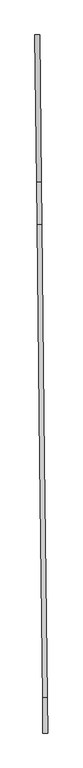
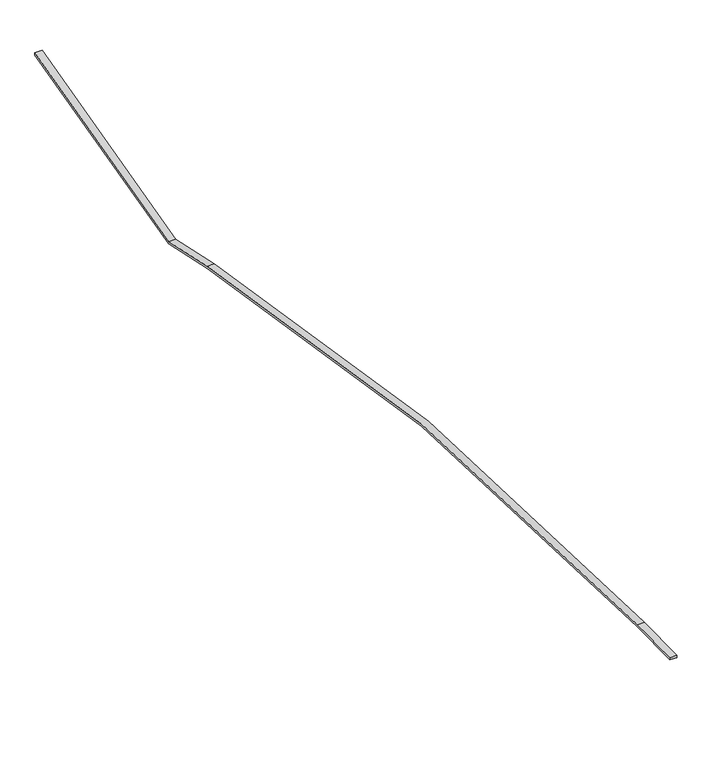
"""IFC4 building model written with IfcOpenShell, lengths in millimetres: proxy geometry."""

from ifc_helpers import new_model, si_unit, point, frame, frame_2d, origin, place, context, project, spatial, polyline, circle_curve, trimmed, segment, composite_curve, outline, extrude, source, transform, mapped, element, save


def generic_models_a72d9bab(model_context):
    return source(origin(), model_context, "Body", "SweptSolid", [
        extrude(outline(composite_curve([segment(polyline([(5066.3149055, 0.0), (6359.902556, -660.9210022)]), True, "CONTINUOUS"), segment(trimmed(circle_curve(frame_2d((36652.6606372, 58629.5806249)), 66580.8889649), [point((6359.902556, -660.9210022))], [point((21154.6217718, -6122.4507462))], True, "CARTESIAN"), True, "CONTINUOUS"), segment(polyline([(21154.6217718, -6122.4507462), (22306.2219021, -6398.0798376), (22292.8827766, -6446.2993931), (21142.9832678, -6171.0773359)]), True, "CONTINUOUS"), segment(trimmed(circle_curve(frame_2d((36652.6606372, 58629.5806249)), 66630.8889649), [point((21142.9832678, -6171.0773359))], [point((6337.1537172, -705.4461674))], False, "CARTESIAN"), True, "CONTINUOUS"), segment(polyline([(6337.1537172, -705.4461674), (5054.2816873, -49.9999999), (-13.8316554, -50.0), (0.0, 0.0), (5066.3149055, 0.0)]), True, "CONTINUOUS")], self_intersect=False)), frame((-56730.3826609, 123840.929095, 14473.5460794), z_axis=(0.9999330876992631, 0.011568064843255602, 0.0), x_axis=(0.011149322497561643, -0.9637373771501205, -0.26661950508477766)), (0.0, 0.0, 1.0), 153.4565527),
    ])


if __name__ == "__main__":
    model = new_model("IFC4")
    model_context = context("Model", 3, world=origin())
    ifc_project = project(units=[si_unit("LENGTHUNIT", "METRE", prefix="MILLI")], contexts=[model_context])
    site = spatial("IfcSite", under=ifc_project)
    building = spatial("IfcBuilding", under=site)
    placement = place(None, origin())
    generic_models_shape = generic_models_a72d9bab(model_context)
    element("IfcBuildingElementProxy", 1, Name="Generic Models", at=placement, inside=building, context=model_context, shape_type="MappedRepresentation", body=[
        mapped(generic_models_shape, transform((0.0, 0.0, 0.0), x_axis=(1.0, 0.0, 0.0), y_axis=(0.0, 1.0, 0.0), z_axis=(0.0, 0.0, 1.0))),
    ])
    save(model, "model.ifc")
